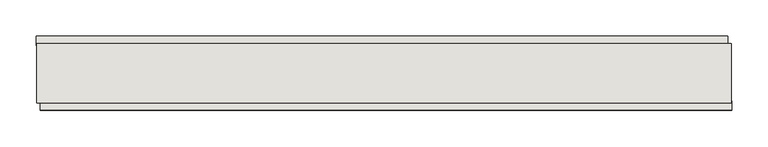
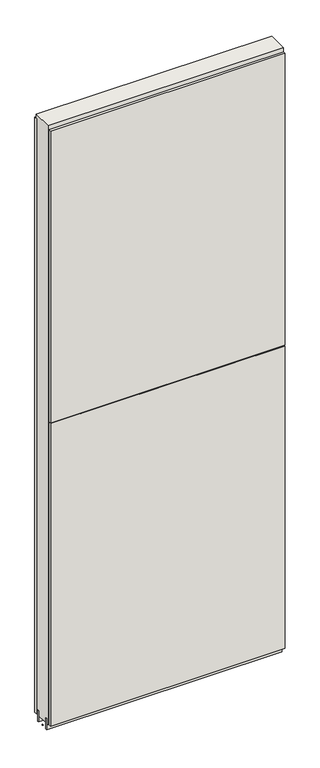
"""IFC4 building model written with IfcOpenShell, lengths in millimetres: wall geometry."""

from ifc_helpers import new_model, si_unit, frame, origin, place, context, project, spatial, polyline, outline, extrude, source, transform, mapped, element, save


def wall_3518e8a8(model_context):
    return source(origin(), model_context, "Body", "SweptSolid", [
        extrude(outline(polyline([(81747.455504, -50815.3745692), (81744.915504, -50815.3745692), (81744.915504, -50812.8345692), (81747.455504, -50812.8345692), (81747.455504, -50815.3745692)])), frame((0.0, 0.0, 4419.6), z_axis=(0.0, 0.0, 1.0), x_axis=(1.0, 0.0, 0.0)), (0.0, 0.0, 1.0), 2.54),
        extrude(outline(polyline([(81744.445096, -50763.3045692), (82693.79067, -50763.3045692), (82693.79067, -50776.0045692), (81744.445096, -50776.0045692), (81744.445096, -50763.3045692)])), frame((0.0, 0.0, 4445.0), z_axis=(0.0, 0.0, 1.0), x_axis=(1.0, 0.0, 0.0)), (0.0, 0.0, 1.0), 2545.0498756),
        extrude(outline(polyline([(82698.726779, -50864.9045692), (81749.381205, -50864.9045692), (81749.381205, -50852.2045692), (82698.726779, -50852.2045692), (82698.726779, -50864.9045692)])), frame((0.0, 0.0, 5742.399869), z_axis=(0.0, 0.0, 1.0), x_axis=(1.0, 0.0, 0.0)), (0.0, 0.0, 1.0), 1247.649905),
        extrude(outline(polyline([(82698.726779, -50864.9045692), (81749.381205, -50864.9045692), (81749.381205, -50852.2045692), (82698.726779, -50852.2045692), (82698.726779, -50864.9045692)])), frame((0.0, 0.0, 4445.0), z_axis=(0.0, 0.0, 1.0), x_axis=(1.0, 0.0, 0.0)), (0.0, 0.0, 1.0), 1293.400004),
        extrude(outline(polyline([(82698.2576156, -50789.0270222), (81744.920457, -50789.0270222), (81744.920457, -50783.9482668), (82698.2576156, -50783.9482668), (82698.2576156, -50789.0270222)])), frame((0.0, 0.0, 4418.6602), z_axis=(0.0, 0.0, 1.0), x_axis=(1.0, 0.0, 0.0)), (0.0, 0.0, 1.0), 47.625),
        extrude(outline(polyline([(82698.2576156, -50789.0270222), (81744.920457, -50789.0270222), (81744.920457, -50783.9482668), (82698.2576156, -50783.9482668), (82698.2576156, -50789.0270222)])), frame((0.0, 0.0, 4418.6602), z_axis=(0.0, 0.0, 1.0), x_axis=(1.0, 0.0, 0.0)), (0.0, 0.0, 1.0), 47.625),
        extrude(outline(polyline([(81744.920457, -50839.1914126), (82698.2576156, -50839.1914126), (82698.2576156, -50844.2732668), (81744.920457, -50844.2732668), (81744.920457, -50839.1914126)])), frame((0.0, 0.0, 4418.6602), z_axis=(0.0, 0.0, 1.0), x_axis=(1.0, 0.0, 0.0)), (0.0, 0.0, 1.0), 47.625),
        extrude(outline(polyline([(81744.920457, -50839.1914126), (82698.2576156, -50839.1914126), (82698.2576156, -50844.2732668), (81744.920457, -50844.2732668), (81744.920457, -50839.1914126)])), frame((0.0, 0.0, 4418.6602), z_axis=(0.0, 0.0, 1.0), x_axis=(1.0, 0.0, 0.0)), (0.0, 0.0, 1.0), 47.625),
        extrude(outline(polyline([(82698.2576156, -50773.4558824), (82698.2576156, -50854.7377366), (81744.920457, -50854.7377366), (81744.920457, -50773.4558824), (82698.2576156, -50773.4558824)])), frame((0.0, 0.0, 4445.0), z_axis=(0.0, 0.0, 1.0), x_axis=(1.0, 0.0, 0.0)), (0.0, 0.0, 1.0), 2562.4536762),
    ])


if __name__ == "__main__":
    model = new_model("IFC4")
    model_context = context("Model", 3, world=origin())
    ifc_project = project(units=[si_unit("LENGTHUNIT", "METRE", prefix="MILLI")], contexts=[model_context])
    site = spatial("IfcSite", under=ifc_project)
    building = spatial("IfcBuilding", under=site)
    placement = place(None, origin())
    wall_shape = wall_3518e8a8(model_context)
    element("IfcWall", 1, at=placement, inside=building, context=model_context, shape_type="MappedRepresentation", body=[
        mapped(wall_shape, transform((0.0, 0.0, 0.0), x_axis=(1.0, 0.0, 0.0), y_axis=(0.0, 1.0, 0.0), z_axis=(0.0, 0.0, 1.0))),
    ])
    save(model, "model.ifc")
